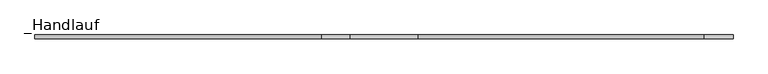
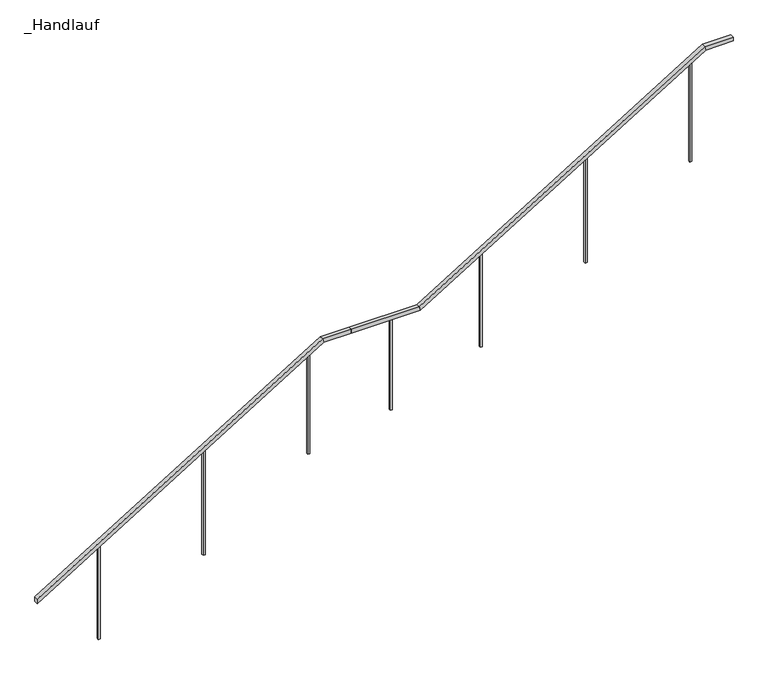
"""IFC4 building model written with IfcOpenShell, lengths in millimetres: railing geometry, _Handlauf."""

from ifc_helpers import new_model, si_unit, frame, origin, place, context, project, spatial, polyline, outline, extrude, faceted_brep, source, transform, mapped, element, save


def handlauf_d0c6c32a(model_context):
    return source(origin(), model_context, "Body", "SolidModel", [
        faceted_brep([(1990.0, 7237.6, 8000.0), (1990.0, 7237.6, 7953.0610765), (1990.0, 7197.6, 7953.0610765), (1990.0, 7197.6, 8000.0), (4840.0, 7197.6, 9750.0), (4840.0, 7237.6, 9750.0), (4851.3005326, 7197.6, 9710.0), (4851.3005326, 7237.6, 9710.0), (5125.0, 7237.6, 9750.0), (5125.0, 7197.6, 9750.0), (5125.0, 7197.6, 9710.0), (5125.0, 7237.6, 9710.0)], [[[0, 1, 2, 3]], [[0, 3, 4, 5]], [[3, 2, 6, 4]], [[2, 1, 7, 6]], [[1, 0, 5, 7]], [[8, 9, 10, 11]], [[5, 4, 9, 8]], [[4, 6, 10, 9]], [[6, 7, 11, 10]], [[7, 5, 8, 11]]]),
        faceted_brep([(5125.0, 7237.6, 9750.0), (5125.0, 7237.6, 9710.0), (5125.0, 7197.6, 9710.0), (5125.0, 7197.6, 9750.0), (5805.2300045, 7237.6, 9750.0), (5805.2300045, 7197.6, 9750.0), (5816.5305371, 7197.6, 9710.0), (5816.5305371, 7237.6, 9710.0)], [[[0, 1, 2, 3]], [[4, 5, 6, 7]], [[0, 3, 5, 4]], [[3, 2, 6, 5]], [[2, 1, 7, 6]], [[1, 0, 4, 7]]]),
        faceted_brep([(5805.2300045, 7237.6, 9750.0), (5816.5305371, 7237.6, 9710.0), (5816.5305371, 7197.6, 9710.0), (5805.2300045, 7197.6, 9750.0), (8655.2300045, 7197.6, 11500.0), (8655.2300045, 7237.6, 11500.0), (8666.5305371, 7197.6, 11460.0), (8666.5305371, 7237.6, 11460.0), (8940.2300045, 7237.6, 11500.0), (8940.2300045, 7197.6, 11500.0), (8940.2300045, 7197.6, 11460.0), (8940.2300045, 7237.6, 11460.0)], [[[0, 1, 2, 3]], [[0, 3, 4, 5]], [[3, 2, 6, 4]], [[2, 1, 7, 6]], [[1, 0, 5, 7]], [[8, 9, 10, 11]], [[5, 4, 9, 8]], [[4, 6, 10, 9]], [[6, 7, 11, 10]], [[7, 5, 8, 11]]]),
        extrude(outline(polyline([(10325.0, 8512.2300045), (10325.0, 8532.2300045), (11384.4736842, 8532.2300045), (11372.1929825, 8512.2300045), (10325.0, 8512.2300045)])), frame((0.0, 7207.6, 0.0), z_axis=(0.0, 1.0, 0.0), x_axis=(0.0, 0.0, 1.0)), (0.0, 0.0, 1.0), 20.0),
        extrude(outline(polyline([(9625.0, 7467.2300045), (9625.0, 7487.2300045), (10742.8070175, 7487.2300045), (10730.5263158, 7467.2300045), (9625.0, 7467.2300045)])), frame((0.0, 7207.6, 0.0), z_axis=(0.0, 1.0, 0.0), x_axis=(0.0, 0.0, 1.0)), (0.0, 0.0, 1.0), 20.0),
        extrude(outline(polyline([(9100.0, 6422.2300045), (9100.0, 6442.2300045), (10101.1403509, 6442.2300045), (10088.8596491, 6422.2300045), (9100.0, 6422.2300045)])), frame((0.0, 7207.6, 0.0), z_axis=(0.0, 1.0, 0.0), x_axis=(0.0, 0.0, 1.0)), (0.0, 0.0, 1.0), 20.0),
        extrude(outline(polyline([(5523.1380027, 7227.6), (5543.1380027, 7227.6), (5543.1380027, 7207.6), (5523.1380027, 7207.6), (5523.1380027, 7227.6)])), frame((0.0, 0.0, 8750.0), z_axis=(0.0, 0.0, 1.0), x_axis=(1.0, 0.0, 0.0)), (0.0, 0.0, 1.0), 960.0),
        extrude(outline(polyline([(8575.0, 4697.0), (8575.0, 4717.0), (9634.4736842, 4717.0), (9622.1929825, 4697.0), (8575.0, 4697.0)])), frame((0.0, 7207.6, 0.0), z_axis=(0.0, 1.0, 0.0), x_axis=(0.0, 0.0, 1.0)), (0.0, 0.0, 1.0), 20.0),
        extrude(outline(polyline([(7875.0, 3652.0), (7875.0, 3672.0), (8992.8070175, 3672.0), (8980.5263158, 3652.0), (7875.0, 3652.0)])), frame((0.0, 7207.6, 0.0), z_axis=(0.0, 1.0, 0.0), x_axis=(0.0, 0.0, 1.0)), (0.0, 0.0, 1.0), 20.0),
        extrude(outline(polyline([(7350.0, 2607.0), (7350.0, 2627.0), (8351.1403509, 2627.0), (8338.8596491, 2607.0), (7350.0, 2607.0)])), frame((0.0, 7207.6, 0.0), z_axis=(0.0, 1.0, 0.0), x_axis=(0.0, 0.0, 1.0)), (0.0, 0.0, 1.0), 20.0),
    ])


if __name__ == "__main__":
    model = new_model("IFC4")
    model_context = context("Model", 3, world=origin())
    ifc_project = project(units=[si_unit("LENGTHUNIT", "METRE", prefix="MILLI")], contexts=[model_context])
    site = spatial("IfcSite", under=ifc_project)
    building = spatial("IfcBuilding", under=site)
    placement = place(None, origin())
    handlauf_shape = handlauf_d0c6c32a(model_context)
    element("IfcRailing", 1, ObjectType="_Handlauf", at=placement, inside=building, context=model_context, shape_type="MappedRepresentation", body=[
        mapped(handlauf_shape, transform((0.0, 0.0, 0.0), x_axis=(1.0, 0.0, 0.0), y_axis=(0.0, 1.0, 0.0), z_axis=(0.0, 0.0, 1.0))),
    ])
    save(model, "model.ifc")
